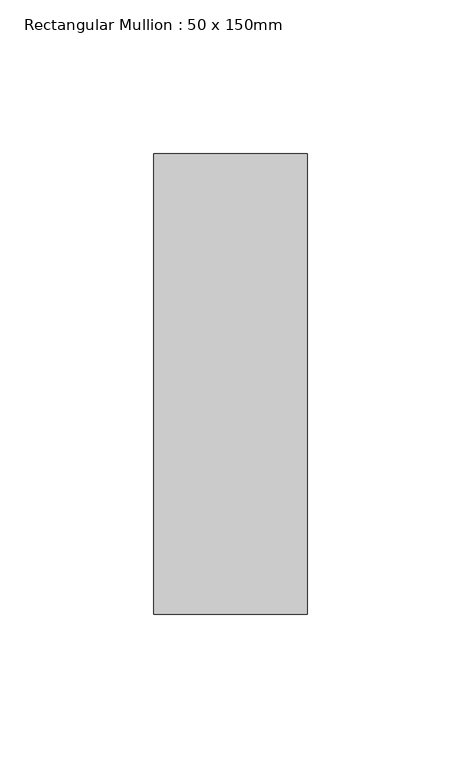
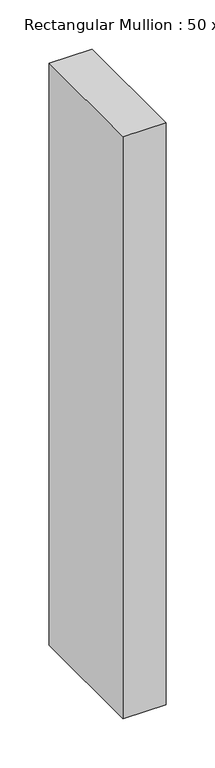
"""IFC4 building model written with IfcOpenShell, lengths in millimetres: member geometry, Rectangular Mullion : 50 x 150mm."""

from ifc_helpers import new_model, si_unit, frame, origin, place, context, project, spatial, polyline, outline, extrude, source, transform, mapped, element, save


def rectangular_mullion_50_x_150mm_601b28fc(model_context):
    return source(origin(), model_context, "Body", "SweptSolid", [
        extrude(outline(polyline([(25.0, 75.0), (25.0, -75.0), (-25.0, -75.0), (-25.0, 75.0), (25.0, 75.0)])), frame((0.0, 0.0, -720.0), z_axis=(0.0, 0.0, 1.0), x_axis=(1.0, 0.0, 0.0)), (0.0, 0.0, 1.0), 720.0),
    ])


if __name__ == "__main__":
    model = new_model("IFC4")
    model_context = context("Model", 3, world=origin())
    ifc_project = project(units=[si_unit("LENGTHUNIT", "METRE", prefix="MILLI")], contexts=[model_context])
    site = spatial("IfcSite", under=ifc_project)
    building = spatial("IfcBuilding", under=site)
    placement = place(None, origin())
    rectangular_mullion_50_x_150mm_shape = rectangular_mullion_50_x_150mm_601b28fc(model_context)
    element("IfcMember", 1, ObjectType="Rectangular Mullion : 50 x 150mm", at=placement, inside=building, context=model_context, shape_type="MappedRepresentation", body=[
        mapped(rectangular_mullion_50_x_150mm_shape, transform((0.0, 0.0, 0.0), x_axis=(1.0, 0.0, 0.0), y_axis=(0.0, 1.0, 0.0), z_axis=(0.0, 0.0, 1.0))),
    ])
    save(model, "model.ifc")
